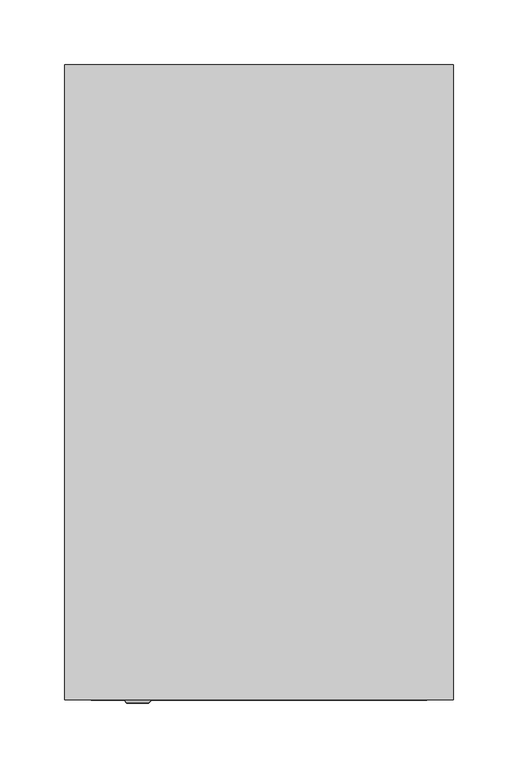
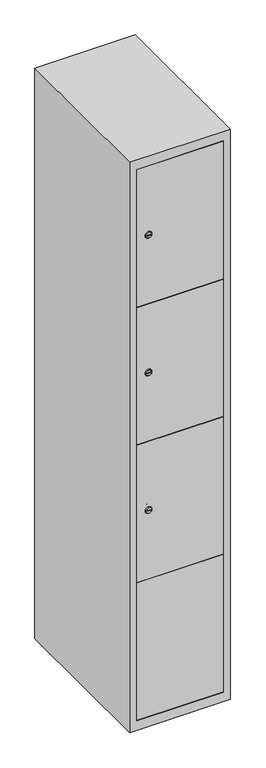
"""IFC4 building model written with IfcOpenShell, lengths in millimetres: furniture geometry."""

from ifc_helpers import new_model, si_unit, point, frame, frame_2d, origin, place, context, project, spatial, polyline, circle_curve, trimmed, segment, composite_curve, outline, extrude, faceted_brep, source, transform, mapped, element, save
from ifc_brep_helpers import plane_surface, revolved_surface, advanced_brep


def furniture_077e8e9f(model_context):
    return source(origin(), model_context, "Body", "SolidModel", [
        extrude(outline(composite_curve([segment(trimmed(circle_curve(frame_2d((717.8, -170.3989466)), 7.0), [point((724.8, -170.3989466))], [point((710.8, -170.3989466))], False, "CARTESIAN"), True, "CONTINUOUS"), segment(polyline([(710.8, -170.3989466), (710.8, -142.3989466)]), True, "CONTINUOUS"), segment(trimmed(circle_curve(frame_2d((717.8, -142.3989466)), 7.0), [point((710.8, -142.3989466))], [point((724.8, -142.3989466))], False, "CARTESIAN"), True, "CONTINUOUS"), segment(polyline([(724.8, -142.3989466), (724.8, -170.3989466)]), True, "CONTINUOUS")], self_intersect=False)), frame((0.0, -227.0, 0.0), z_axis=(0.0, 1.0, 0.0), x_axis=(0.0, 0.0, 1.0)), (0.0, 0.0, 1.0), 2.0),
        advanced_brep(
        [(-135.1, -247.2, 717.8), (-152.1, -247.2, 717.8), (-148.6, -247.2, 716.55), (-148.6, -247.2, 719.05), (-138.6, -247.2, 719.05), (-138.6, -247.2, 716.55), (-133.1, -245.0, 717.8), (-154.1, -245.0, 717.8), (-148.6, -245.0, 719.05), (-148.6, -245.0, 716.55), (-138.6, -245.0, 716.55), (-138.6, -245.0, 719.05)],
        [
            (0, 1, circle_curve(frame((-143.6, -247.2, 717.8), z_axis=(0.0, -1.0, 0.0), x_axis=(1.0, 0.0, 0.0)), 8.5)),
            (1, 0, circle_curve(frame((-143.6, -247.2, 717.8), z_axis=(0.0, -1.0, 0.0), x_axis=(-1.0, 0.0, 0.0)), 8.5)),
            (2, 3),
            (3, 4),
            (4, 5),
            (5, 2),
            (6, 7, circle_curve(frame((-143.6, -245.0, 717.8), z_axis=(0.0, 1.0, 0.0), x_axis=(-1.0, 0.0, 0.0)), 10.5)),
            (7, 6, circle_curve(frame((-143.6, -245.0, 717.8), z_axis=(0.0, 1.0, 0.0), x_axis=(1.0, 0.0, 0.0)), 10.5)),
            (8, 9),
            (9, 10),
            (10, 11),
            (11, 8),
            (0, 6),
            (7, 1),
            (8, 3),
            (2, 9),
            (11, 4),
            (10, 5),
        ],
        [
            plane_surface(frame((-143.6, -247.2, 717.8), z_axis=(0.0, -1.0, 0.0), x_axis=(0.0, 0.0, 1.0))),
            plane_surface(frame((-143.6, -245.0, 717.8), z_axis=(0.0, 1.0, 0.0), x_axis=(0.0, 0.0, 1.0))),
            revolved_surface(polyline([(-135.1, -247.2, 717.8), (-133.1, -245.0, 717.8)]), (-143.6, -256.55, 717.8), (0.0, 1.0, 0.0)),
            revolved_surface(polyline([(-152.1, -247.2, 717.8), (-154.1, -245.0, 717.8)]), (-143.6, -256.55, 717.8), (0.0, 1.0, 0.0)),
            plane_surface(frame((-148.6, -245.0, 716.55), z_axis=(1.0, 0.0, 0.0), x_axis=(0.0, -1.0, 0.0))),
            plane_surface(frame((-148.6, -245.0, 719.05), z_axis=(0.0, 0.0, -1.0), x_axis=(0.0, -1.0, 0.0))),
            plane_surface(frame((-138.6, -245.0, 719.05), z_axis=(-1.0, 0.0, 0.0), x_axis=(0.0, -1.0, 0.0))),
            plane_surface(frame((-138.6, -245.0, 716.55), z_axis=(0.0, 0.0, 1.0), x_axis=(0.0, -1.0, 0.0))),
        ],
        [
            (0, [[1, 2], [3, 4, 5, 6]]),
            (1, [[7, 8], [9, 10, 11, 12]]),
            (2, [[-1, 13, -8, 14]]),
            (3, [[-2, -14, -7, -13]]),
            (4, [[15, -3, 16, -9]]),
            (5, [[-15, -12, 17, -4]]),
            (6, [[-17, -11, 18, -5]]),
            (7, [[-16, -6, -18, -10]]),
        ],
    ),
        extrude(outline(composite_curve([segment(trimmed(circle_curve(frame_2d((1152.2, -170.3989466)), 7.0), [point((1159.2, -170.3989466))], [point((1145.2, -170.3989466))], False, "CARTESIAN"), True, "CONTINUOUS"), segment(polyline([(1145.2, -170.3989466), (1145.2, -142.3989466)]), True, "CONTINUOUS"), segment(trimmed(circle_curve(frame_2d((1152.2, -142.3989466)), 7.0), [point((1145.2, -142.3989466))], [point((1159.2, -142.3989466))], False, "CARTESIAN"), True, "CONTINUOUS"), segment(polyline([(1159.2, -142.3989466), (1159.2, -170.3989466)]), True, "CONTINUOUS")], self_intersect=False)), frame((0.0, -227.0, 0.0), z_axis=(0.0, 1.0, 0.0), x_axis=(0.0, 0.0, 1.0)), (0.0, 0.0, 1.0), 2.0),
        advanced_brep(
        [(-135.1, -247.2, 1152.2), (-152.1, -247.2, 1152.2), (-148.6, -247.2, 1150.95), (-148.6, -247.2, 1153.45), (-138.6, -247.2, 1153.45), (-138.6, -247.2, 1150.95), (-133.1, -245.0, 1152.2), (-154.1, -245.0, 1152.2), (-148.6, -245.0, 1153.45), (-148.6, -245.0, 1150.95), (-138.6, -245.0, 1150.95), (-138.6, -245.0, 1153.45)],
        [
            (0, 1, circle_curve(frame((-143.6, -247.2, 1152.2), z_axis=(0.0, -1.0, 0.0), x_axis=(1.0, 0.0, 0.0)), 8.5)),
            (1, 0, circle_curve(frame((-143.6, -247.2, 1152.2), z_axis=(0.0, -1.0, 0.0), x_axis=(-1.0, 0.0, 0.0)), 8.5)),
            (2, 3),
            (3, 4),
            (4, 5),
            (5, 2),
            (6, 7, circle_curve(frame((-143.6, -245.0, 1152.2), z_axis=(0.0, 1.0, 0.0), x_axis=(-1.0, 0.0, 0.0)), 10.5)),
            (7, 6, circle_curve(frame((-143.6, -245.0, 1152.2), z_axis=(0.0, 1.0, 0.0), x_axis=(1.0, 0.0, 0.0)), 10.5)),
            (8, 9),
            (9, 10),
            (10, 11),
            (11, 8),
            (0, 6),
            (7, 1),
            (8, 3),
            (2, 9),
            (11, 4),
            (10, 5),
        ],
        [
            plane_surface(frame((-143.6, -247.2, 1152.2), z_axis=(0.0, -1.0, 0.0), x_axis=(0.0, 0.0, 1.0))),
            plane_surface(frame((-143.6, -245.0, 1152.2), z_axis=(0.0, 1.0, 0.0), x_axis=(0.0, 0.0, 1.0))),
            revolved_surface(polyline([(-135.1, -247.2, 1152.2), (-133.1, -245.0, 1152.2)]), (-143.6, -256.55, 1152.2), (0.0, 1.0, 0.0)),
            revolved_surface(polyline([(-152.1, -247.2, 1152.2), (-154.1, -245.0, 1152.2)]), (-143.6, -256.55, 1152.2), (0.0, 1.0, 0.0)),
            plane_surface(frame((-148.6, -245.0, 1150.95), z_axis=(1.0, 0.0, 0.0), x_axis=(0.0, -1.0, 0.0))),
            plane_surface(frame((-148.6, -245.0, 1153.45), z_axis=(0.0, 0.0, -1.0), x_axis=(0.0, -1.0, 0.0))),
            plane_surface(frame((-138.6, -245.0, 1153.45), z_axis=(-1.0, 0.0, 0.0), x_axis=(0.0, -1.0, 0.0))),
            plane_surface(frame((-138.6, -245.0, 1150.95), z_axis=(0.0, 0.0, 1.0), x_axis=(0.0, -1.0, 0.0))),
        ],
        [
            (0, [[1, 2], [3, 4, 5, 6]]),
            (1, [[7, 8], [9, 10, 11, 12]]),
            (2, [[-1, 13, -8, 14]]),
            (3, [[-2, -14, -7, -13]]),
            (4, [[15, -3, 16, -9]]),
            (5, [[-15, -12, 17, -4]]),
            (6, [[-17, -11, 18, -5]]),
            (7, [[-16, -6, -18, -10]]),
        ],
    ),
        extrude(outline(composite_curve([segment(trimmed(circle_curve(frame_2d((1586.6, -170.3989466)), 7.0), [point((1593.6, -170.3989466))], [point((1579.6, -170.3989466))], False, "CARTESIAN"), True, "CONTINUOUS"), segment(polyline([(1579.6, -170.3989466), (1579.6, -142.3989466)]), True, "CONTINUOUS"), segment(trimmed(circle_curve(frame_2d((1586.6, -142.3989466)), 7.0), [point((1579.6, -142.3989466))], [point((1593.6, -142.3989466))], False, "CARTESIAN"), True, "CONTINUOUS"), segment(polyline([(1593.6, -142.3989466), (1593.6, -170.3989466)]), True, "CONTINUOUS")], self_intersect=False)), frame((0.0, -227.0, 0.0), z_axis=(0.0, 1.0, 0.0), x_axis=(0.0, 0.0, 1.0)), (0.0, 0.0, 1.0), 2.0),
        advanced_brep(
        [(-135.1, -247.2, 1586.6), (-152.1, -247.2, 1586.6), (-148.6, -247.2, 1585.35), (-148.6, -247.2, 1587.85), (-138.6, -247.2, 1587.85), (-138.6, -247.2, 1585.35), (-133.1, -245.0, 1586.6), (-154.1, -245.0, 1586.6), (-148.6, -245.0, 1587.85), (-148.6, -245.0, 1585.35), (-138.6, -245.0, 1585.35), (-138.6, -245.0, 1587.85)],
        [
            (0, 1, circle_curve(frame((-143.6, -247.2, 1586.6), z_axis=(0.0, -1.0, 0.0), x_axis=(1.0, 0.0, 0.0)), 8.5)),
            (1, 0, circle_curve(frame((-143.6, -247.2, 1586.6), z_axis=(0.0, -1.0, 0.0), x_axis=(-1.0, 0.0, 0.0)), 8.5)),
            (2, 3),
            (3, 4),
            (4, 5),
            (5, 2),
            (6, 7, circle_curve(frame((-143.6, -245.0, 1586.6), z_axis=(0.0, 1.0, 0.0), x_axis=(-1.0, 0.0, 0.0)), 10.5)),
            (7, 6, circle_curve(frame((-143.6, -245.0, 1586.6), z_axis=(0.0, 1.0, 0.0), x_axis=(1.0, 0.0, 0.0)), 10.5)),
            (8, 9),
            (9, 10),
            (10, 11),
            (11, 8),
            (0, 6),
            (7, 1),
            (8, 3),
            (2, 9),
            (11, 4),
            (10, 5),
        ],
        [
            plane_surface(frame((-143.6, -247.2, 1586.6), z_axis=(0.0, -1.0, 0.0), x_axis=(0.0, 0.0, 1.0))),
            plane_surface(frame((-143.6, -245.0, 1586.6), z_axis=(0.0, 1.0, 0.0), x_axis=(0.0, 0.0, 1.0))),
            revolved_surface(polyline([(-135.1, -247.2, 1586.6), (-133.1, -245.0, 1586.6)]), (-143.6, -256.55, 1586.6), (0.0, 1.0, 0.0)),
            revolved_surface(polyline([(-152.1, -247.2, 1586.6), (-154.1, -245.0, 1586.6)]), (-143.6, -256.55, 1586.6), (0.0, 1.0, 0.0)),
            plane_surface(frame((-148.6, -245.0, 1585.35), z_axis=(1.0, 0.0, 0.0), x_axis=(0.0, -1.0, 0.0))),
            plane_surface(frame((-148.6, -245.0, 1587.85), z_axis=(0.0, 0.0, -1.0), x_axis=(0.0, -1.0, 0.0))),
            plane_surface(frame((-138.6, -245.0, 1587.85), z_axis=(-1.0, 0.0, 0.0), x_axis=(0.0, -1.0, 0.0))),
            plane_surface(frame((-138.6, -245.0, 1585.35), z_axis=(0.0, 0.0, 1.0), x_axis=(0.0, -1.0, 0.0))),
        ],
        [
            (0, [[1, 2], [3, 4, 5, 6]]),
            (1, [[7, 8], [9, 10, 11, 12]]),
            (2, [[-1, 13, -8, 14]]),
            (3, [[-2, -14, -7, -13]]),
            (4, [[15, -3, 16, -9]]),
            (5, [[-15, -12, 17, -4]]),
            (6, [[-17, -11, 18, -5]]),
            (7, [[-16, -6, -18, -10]]),
        ],
    ),
        extrude(outline(polyline([(78.6, -227.0), (78.6, -245.0), (-178.6, -245.0), (-178.6, -227.0), (78.6, -227.0)])), frame((0.0, 0.0, 500.1), z_axis=(0.0, 0.0, 1.0), x_axis=(1.0, 0.0, 0.0)), (0.0, 0.0, 1.0), 434.4),
        extrude(outline(polyline([(78.6, -227.0), (78.6, -245.0), (-178.6, -245.0), (-178.6, -227.0), (78.6, -227.0)])), frame((0.0, 0.0, 935.5), z_axis=(0.0, 0.0, 1.0), x_axis=(1.0, 0.0, 0.0)), (0.0, 0.0, 1.0), 433.4),
        extrude(outline(polyline([(-178.6, -245.0), (-178.6, -227.0), (78.6, -227.0), (78.6, -245.0), (-178.6, -245.0)])), frame((0.0, 0.0, 1369.9), z_axis=(0.0, 0.0, 1.0), x_axis=(1.0, 0.0, 0.0)), (0.0, 0.0, 1.0), 433.9),
        extrude(outline(polyline([(78.6, -227.0), (78.6, -245.0), (-178.6, -245.0), (-178.6, -227.0), (78.6, -227.0)])), frame((0.0, 0.0, 66.2), z_axis=(0.0, 0.0, 1.0), x_axis=(1.0, 0.0, 0.0)), (0.0, 0.0, 1.0), 434.9),
        extrude(outline(polyline([(79.6, 242.0), (79.6, -227.0), (-179.6, -227.0), (-179.6, 242.0), (79.6, 242.0)])), frame((0.0, 0.0, 1359.7), z_axis=(0.0, 0.0, 1.0), x_axis=(1.0, 0.0, 0.0)), (0.0, 0.0, 1.0), 20.4),
        extrude(outline(polyline([(79.6, 242.0), (79.6, -227.0), (-179.6, -227.0), (-179.6, 242.0), (79.6, 242.0)])), frame((0.0, 0.0, 924.8), z_axis=(0.0, 0.0, 1.0), x_axis=(1.0, 0.0, 0.0)), (0.0, 0.0, 1.0), 20.4),
        extrude(outline(polyline([(79.6, 242.0), (79.6, -227.0), (-179.6, -227.0), (-179.6, 242.0), (79.6, 242.0)])), frame((0.0, 0.0, 489.9), z_axis=(0.0, 0.0, 1.0), x_axis=(1.0, 0.0, 0.0)), (0.0, 0.0, 1.0), 20.4),
        faceted_brep([(100.0, -245.0, 35.0), (100.0, -245.0, 1835.0), (-200.0, -245.0, 1835.0), (-200.0, -245.0, 35.0), (79.6, -245.0, 1804.8), (79.6, -245.0, 65.2), (-179.6, -245.0, 65.2), (-179.6, -245.0, 1804.8), (100.0, 245.0, 35.0), (-200.0, 245.0, 35.0), (100.0, 245.0, 1835.0), (-200.0, 245.0, 1835.0), (79.6, 242.0, 1804.8), (79.6, 242.0, 65.2), (-200.0, 245.0, 1804.8), (-179.6, 242.0, 1804.8), (-179.6, 242.0, 65.2)], [[[0, 1, 2, 3], [4, 5, 6, 7]], [[8, 0, 3, 9]], [[1, 0, 8, 10]], [[1, 10, 11, 2]], [[4, 12, 13, 5]], [[9, 3, 2, 11, 14]], [[10, 8, 9, 14, 11]], [[12, 15, 16, 13]], [[15, 7, 6, 16]], [[4, 7, 15, 12]], [[6, 5, 13, 16]]]),
    ])


if __name__ == "__main__":
    model = new_model("IFC4")
    model_context = context("Model", 3, world=origin())
    ifc_project = project(units=[si_unit("LENGTHUNIT", "METRE", prefix="MILLI")], contexts=[model_context])
    site = spatial("IfcSite", under=ifc_project)
    building = spatial("IfcBuilding", under=site)
    placement = place(None, origin())
    furniture_shape = furniture_077e8e9f(model_context)
    element("IfcFurniture", 1, at=placement, inside=building, context=model_context, shape_type="MappedRepresentation", body=[
        mapped(furniture_shape, transform((0.0, 0.0, 0.0), x_axis=(1.0, 0.0, 0.0), y_axis=(0.0, 1.0, 0.0), z_axis=(0.0, 0.0, 1.0))),
    ])
    save(model, "model.ifc")
